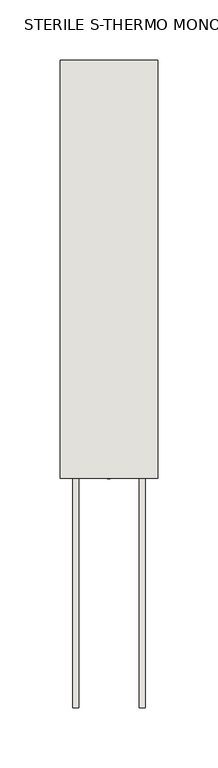
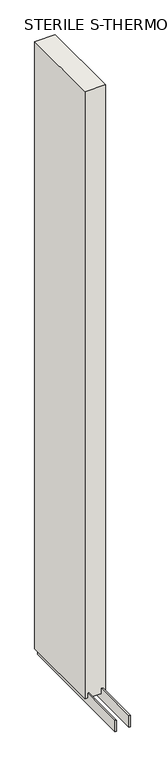
"""IFC4 building model written with IfcOpenShell, lengths in millimetres: wall geometry, STERILE S-THERMO MONO 489865 : STERILE S-THERMO MONO 489865."""

from ifc_helpers import new_model, si_unit, frame, origin, place, context, project, spatial, polyline, outline, extrude, source, transform, mapped, element, save


def sterile_s_thermo_mono_489865_sterile_s_thermo_mono_489865_a443da88(model_context):
    return source(origin(), model_context, "Body", "SweptSolid", [
        extrude(outline(polyline([(59186.482211, -47268.9299476), (59186.482211, -47271.4699476), (59183.942211, -47271.4699476), (59183.942211, -47268.9299476), (59186.482211, -47268.9299476)])), frame((0.0, 0.0, 4419.6), z_axis=(0.0, 0.0, 1.0), x_axis=(1.0, 0.0, 0.0)), (0.0, 0.0, 1.0), 2.54),
        extrude(outline(polyline([(59160.1284664, -46923.4769174), (59160.1284664, -47461.958797), (59155.049711, -47461.958797), (59155.049711, -46923.4769174), (59160.1284664, -46923.4769174)])), frame((0.0, 0.0, 4418.6602), z_axis=(0.0, 0.0, 1.0), x_axis=(1.0, 0.0, 0.0)), (0.0, 0.0, 1.0), 47.625),
        extrude(outline(polyline([(59160.1284664, -46923.4769174), (59160.1284664, -47461.958797), (59155.049711, -47461.958797), (59155.049711, -46923.4769174), (59160.1284664, -46923.4769174)])), frame((0.0, 0.0, 4418.6602), z_axis=(0.0, 0.0, 1.0), x_axis=(1.0, 0.0, 0.0)), (0.0, 0.0, 1.0), 47.625),
        extrude(outline(polyline([(59210.2959556, -47461.958797), (59210.2959556, -46923.4769174), (59215.374711, -46923.4769174), (59215.374711, -47461.958797), (59210.2959556, -47461.958797)])), frame((0.0, 0.0, 4418.6602), z_axis=(0.0, 0.0, 1.0), x_axis=(1.0, 0.0, 0.0)), (0.0, 0.0, 1.0), 47.625),
        extrude(outline(polyline([(59210.2959556, -47461.958797), (59210.2959556, -46923.4769174), (59215.374711, -46923.4769174), (59215.374711, -47461.958797), (59210.2959556, -47461.958797)])), frame((0.0, 0.0, 4418.6602), z_axis=(0.0, 0.0, 1.0), x_axis=(1.0, 0.0, 0.0)), (0.0, 0.0, 1.0), 47.625),
        extrude(outline(polyline([(59144.5573266, -46923.4769174), (59225.8670954, -46923.4769174), (59225.8670954, -47271.458797), (59144.5573266, -47271.458797), (59144.5573266, -46923.4769174)])), frame((0.0, 0.0, 4445.0), z_axis=(0.0, 0.0, 1.0), x_axis=(1.0, 0.0, 0.0)), (0.0, 0.0, 1.0), 2562.4536762),
    ])


if __name__ == "__main__":
    model = new_model("IFC4")
    model_context = context("Model", 3, world=origin())
    ifc_project = project(units=[si_unit("LENGTHUNIT", "METRE", prefix="MILLI")], contexts=[model_context])
    site = spatial("IfcSite", under=ifc_project)
    building = spatial("IfcBuilding", under=site)
    placement = place(None, origin())
    sterile_s_thermo_mono_489865_sterile_s_thermo_mono_489865_shape = sterile_s_thermo_mono_489865_sterile_s_thermo_mono_489865_a443da88(model_context)
    element("IfcWall", 1, ObjectType="STERILE S-THERMO MONO 489865 : STERILE S-THERMO MONO 489865", at=placement, inside=building, context=model_context, shape_type="MappedRepresentation", body=[
        mapped(sterile_s_thermo_mono_489865_sterile_s_thermo_mono_489865_shape, transform((0.0, 0.0, 0.0), x_axis=(1.0, 0.0, 0.0), y_axis=(0.0, 1.0, 0.0), z_axis=(0.0, 0.0, 1.0))),
    ])
    save(model, "model.ifc")
